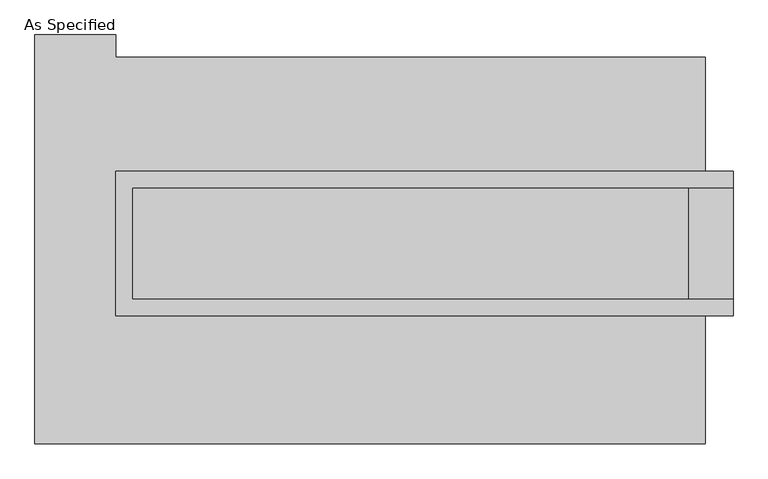
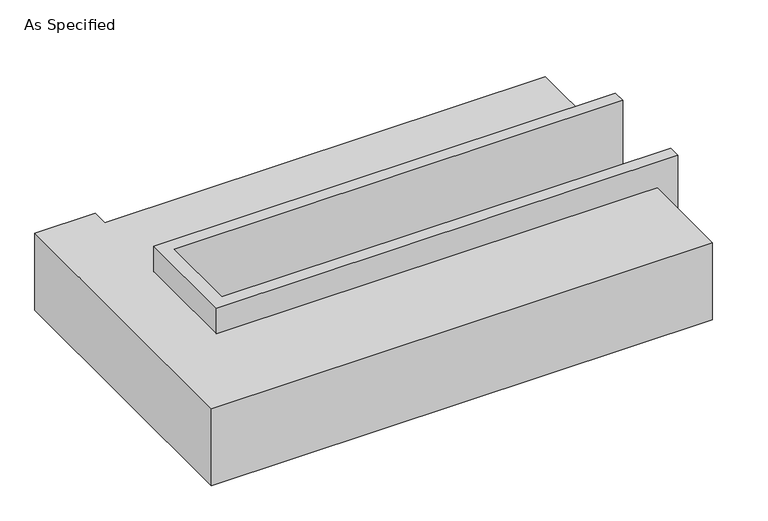
"""IFC4 building model written with IfcOpenShell, lengths in millimetres: proxy geometry, As Specified."""

import ifcopenshell
import ifcopenshell.guid

model = None  # the IFC model being written
_history = None  # IfcOwnerHistory: only IFC2X3 demands one
_inside = {}  # id of a spatial element -> (the spatial element, [elements in it])
_under = {}  # id of a project, library or spatial element -> (it, [spatial elements below it])
_declared = {}  # id of a project -> (the project, [libraries it declares])
_typed = {}  # id of a type object -> (the type object, [elements of that type])
_made_of = {}  # id of a material, layer set ... -> (it, [elements and type objects made of it])


def new_model(schema):
    """Start an empty IFC model of exactly this schema.

    Asked for "IFC4X3", IfcOpenShell would pick the latest addendum, in which some entities
    have other attributes; the version numbers below select the first issue.
    IFC2X3 requires an IfcOwnerHistory on every rooted entity: one is made here for all.
    """
    global model, _history
    if schema == "IFC4X3":
        model = ifcopenshell.file(schema_version=(4, 3, 0, 0))
    else:
        model = ifcopenshell.file(schema=schema)
    _inside.clear()
    _under.clear()
    _declared.clear()
    _typed.clear()
    _made_of.clear()
    _history = None
    if model.schema == "IFC2X3":
        org = make("IfcOrganization", Name="unknown")
        user = make(
            "IfcPersonAndOrganization",
            ThePerson=make("IfcPerson", FamilyName="unknown"),
            TheOrganization=org,
        )
        app = make(
            "IfcApplication",
            ApplicationDeveloper=org,
            Version="unknown",
            ApplicationFullName="unknown",
            ApplicationIdentifier="unknown",
        )
        _history = make(
            "IfcOwnerHistory",
            OwningUser=user,
            OwningApplication=app,
            ChangeAction="ADDED",
            CreationDate=0,
        )
    return model


def make(cls, **values):
    """One entity of the class cls with the attributes given. An attribute that is None is left unset."""
    return model.create_entity(
        cls, **{name: value for name, value in values.items() if value is not None}
    )


def rooted(cls, **values):
    """An entity with a GlobalId (a new one), such as an element, a storey or a relation."""
    return make(cls, GlobalId=ifcopenshell.guid.new(), OwnerHistory=_history, **values)


def si_unit(unit_type, name, prefix=None):
    """IfcSIUnit, for example si_unit("LENGTHUNIT", "METRE", prefix="MILLI")."""
    return make("IfcSIUnit", UnitType=unit_type, Prefix=prefix, Name=name)


def assignment(units):
    """IfcUnitAssignment: the units of a project."""
    return None if units is None else make("IfcUnitAssignment", Units=units)


def point(xyz):
    """IfcCartesianPoint."""
    return None if xyz is None else make("IfcCartesianPoint", Coordinates=xyz)


def direction(xyz):
    """IfcDirection."""
    return None if xyz is None else make("IfcDirection", DirectionRatios=xyz)


def frame(location, z_axis=None, x_axis=None):
    """IfcAxis2Placement3D, a coordinate frame: its origin and axes. An axis left out is left unset."""
    return make(
        "IfcAxis2Placement3D",
        Location=point(location),
        Axis=direction(z_axis),
        RefDirection=direction(x_axis),
    )


def origin():
    """The frame at (0, 0, 0) with its axes left unset."""
    return frame((0.0, 0.0, 0.0))


def place(relative_to, where):
    """IfcLocalPlacement: puts the frame where relative to a parent placement (None: the world)."""
    return make(
        "IfcLocalPlacement", PlacementRelTo=relative_to, RelativePlacement=where
    )


def context(
    kind, dimensions, precision=None, world=None, true_north=None, identifier=None
):
    """IfcGeometricRepresentationContext, for example the 3D "Model" context."""
    return make(
        "IfcGeometricRepresentationContext",
        ContextIdentifier=identifier,
        ContextType=kind,
        CoordinateSpaceDimension=dimensions,
        Precision=precision,
        WorldCoordinateSystem=world,
        TrueNorth=true_north,
    )


def project(units=None, contexts=None):
    """IfcProject with its units and contexts."""
    return rooted(
        "IfcProject",
        Name="project",
        RepresentationContexts=contexts,
        UnitsInContext=assignment(units),
    )


def spatial(cls, under=None, at=None, **own):
    """A site, building, storey or space (cls), placed at a placement, below another one or the project."""
    s = rooted(cls, ObjectPlacement=at, **own)
    if under is not None:
        _under.setdefault(under.id(), (under, []))[1].append(s)
    return s


def faces_of(points, faces, orient=None, outer=None):
    """IfcFace entities. A face is a list of loops; a loop is a list of indices into points, from 0.

    orient and outer hold one flag for each loop. By default every Orientation is true, the
    first loop of a face is its IfcFaceOuterBound and the others are IfcFaceBound.
    """
    made = []
    for i, loops in enumerate(faces):
        bounds = []
        for j, loop in enumerate(loops):
            is_outer = j == 0 if outer is None else outer[i][j]
            bounds.append(
                make(
                    "IfcFaceOuterBound" if is_outer else "IfcFaceBound",
                    Bound=make("IfcPolyLoop", Polygon=[points[k] for k in loop]),
                    Orientation=True if orient is None else orient[i][j],
                )
            )
        made.append(make("IfcFace", Bounds=bounds))
    return made


def faceted_brep(points, faces, orient=None, outer=None, voids=None):
    """IfcFacetedBrep: a solid bounded by flat faces; with voids (closed shells), ...WithVoids."""
    shared = [point(p) for p in points]
    hull = make("IfcClosedShell", CfsFaces=faces_of(shared, faces, orient, outer))
    if voids is None:
        return make("IfcFacetedBrep", Outer=hull)
    return make(
        "IfcFacetedBrepWithVoids",
        Outer=hull,
        Voids=[
            make(cls, CfsFaces=faces_of(shared, fs, o, b)) for cls, fs, o, b in voids
        ],
    )


def shape(context_of_items, identifier, shape_type, items):
    """IfcShapeRepresentation: the items that make up one representation, for example the "Body"."""
    return make(
        "IfcShapeRepresentation",
        ContextOfItems=context_of_items,
        RepresentationIdentifier=identifier,
        RepresentationType=shape_type,
        Items=items,
    )


def source(mapping_origin, context_of_items, identifier, shape_type, items):
    """IfcRepresentationMap: a shape defined once, which mapped items show again and again."""
    return make(
        "IfcRepresentationMap",
        MappingOrigin=mapping_origin,
        MappedRepresentation=shape(context_of_items, identifier, shape_type, items),
    )


def transform(
    local_origin,
    x_axis=None,
    y_axis=None,
    z_axis=None,
    scale=None,
    scale2=None,
    scale3=None,
    uniform=True,
):
    """IfcCartesianTransformationOperator3D, or its non-uniform kind. x_axis, y_axis, z_axis: its Axis1, 2, 3."""
    if uniform:
        return make(
            "IfcCartesianTransformationOperator3D",
            Axis1=direction(x_axis),
            Axis2=direction(y_axis),
            LocalOrigin=point(local_origin),
            Scale=scale,
            Axis3=direction(z_axis),
        )
    return make(
        "IfcCartesianTransformationOperator3DnonUniform",
        Axis1=direction(x_axis),
        Axis2=direction(y_axis),
        LocalOrigin=point(local_origin),
        Scale=scale,
        Axis3=direction(z_axis),
        Scale2=scale2,
        Scale3=scale3,
    )


def mapped(mapping_source, mapping_target):
    """IfcMappedItem: shows the shape of a source again, moved by a transform."""
    return make(
        "IfcMappedItem", MappingSource=mapping_source, MappingTarget=mapping_target
    )


def made_of(thing, what):
    """Note that an element or type object is made of a material, layer set ...; save() writes the relation."""
    if what is not None:
        _made_of.setdefault(what.id(), (what, []))[1].append(thing)
    return thing


def element(
    cls,
    number,
    at=None,
    inside=None,
    cuts=None,
    type_object=None,
    material=None,
    context=None,
    identifier="Body",
    shape_type=None,
    held_by="IfcProductDefinitionShape",
    body=None,
    shapes=None,
    **own,
):
    """One element of the class cls, such as IfcWall. Its Tag is "e" and its number.

    at: its placement. inside: the storey or other place that contains it. cuts: it is an
    opening in that element (IfcRelVoidsElement). A single representation is given by context,
    identifier, shape_type and body (its items); several are given by shapes. held_by: the class
    of the entity that holds the representations. save() writes the other relations.
    """
    e = rooted(cls, Tag="e%d" % number, ObjectPlacement=at, **own)
    if body is not None:
        shapes = [shape(context, identifier, shape_type, body)]
    if shapes is not None:
        e.Representation = make(held_by, Representations=shapes)
    if inside is not None:
        _inside.setdefault(inside.id(), (inside, []))[1].append(e)
    if cuts is not None:
        rooted(
            "IfcRelVoidsElement", RelatingBuildingElement=cuts, RelatedOpeningElement=e
        )
    if type_object is not None:
        _typed.setdefault(type_object.id(), (type_object, []))[1].append(e)
    return made_of(e, material)


def aggregate(whole, parts):
    """IfcRelAggregates: a whole, such as a stair, and the parts it consists of."""
    return rooted("IfcRelAggregates", RelatingObject=whole, RelatedObjects=parts)


def save(model, path):
    """Write the relations noted so far, then the file.

    IfcRelAggregates (storeys below a building ...), IfcRelContainedInSpatialStructure (elements
    in a storey), IfcRelDefinesByType, IfcRelAssociatesMaterial and IfcRelDeclares: one each for
    every whole, place, type object, material and project.
    """
    for whole, parts in _under.values():
        aggregate(whole, parts)
    for where, things in _inside.values():
        rooted(
            "IfcRelContainedInSpatialStructure",
            RelatedElements=things,
            RelatingStructure=where,
        )
    for kind, things in _typed.values():
        rooted("IfcRelDefinesByType", RelatedObjects=things, RelatingType=kind)
    for what, things in _made_of.values():
        rooted("IfcRelAssociatesMaterial", RelatedObjects=things, RelatingMaterial=what)
    for by, libraries in _declared.values():
        rooted("IfcRelDeclares", RelatingContext=by, RelatedDefinitions=libraries)
    model.write(path)


def as_specified_af5b06ff(model_context):
    return source(origin(), model_context, "Body", "Brep", [
        faceted_brep([(-1263.65, 361.95, 139.7), (-1263.65, 361.95, -393.7), (-1263.65, 285.75, -393.7), (-1263.65, 285.75, -25.4), (-1263.65, -222.25, -25.4), (-1263.65, -222.25, -393.7), (-1263.65, -298.45, -393.7), (-1263.65, -298.45, 139.7), (1555.75, 285.75, 139.7), (1555.75, 285.75, -317.5), (1555.75, -222.25, -317.5), (1555.75, -222.25, 139.7), (1555.75, -298.45, 139.7), (1555.75, -298.45, -393.7), (1555.75, 361.95, -393.7), (1555.75, 361.95, 139.7), (-1187.45, -222.25, 139.7), (-1187.45, 285.75, 139.7), (1352.55, -222.25, -393.7), (1352.55, 285.75, -393.7), (1352.55, -222.25, -317.5), (-1187.45, -222.25, -25.4), (1352.55, 285.75, -317.5), (-1187.45, 285.75, -25.4)], [[[0, 1, 2, 3, 4, 5, 6, 7]], [[8, 9, 10, 11, 12, 13, 14, 15]], [[0, 7, 12, 11, 16, 17, 8, 15]], [[1, 0, 15, 14]], [[14, 13, 6, 5, 18, 19, 2, 1]], [[7, 6, 13, 12]], [[11, 10, 20, 18, 5, 4, 21, 16]], [[10, 9, 22, 20]], [[9, 8, 17, 23, 3, 2, 19, 22]], [[18, 20, 22, 19]], [[23, 21, 4, 3]], [[17, 16, 21, 23]]]),
        faceted_brep([(1428.75, -882.65, -523.9742188), (-1631.95, -882.65, -523.9742188), (-1631.95, 984.25, -523.9742188), (-1263.65, 984.25, -523.9742188), (-1263.65, 882.65, -523.9742188), (1428.75, 882.65, -523.9742188), (-1631.95, -882.65, -25.4), (1428.75, -882.65, -25.4), (1428.75, -298.45, -25.4), (-1263.65, -298.45, -25.4), (-1263.65, 361.95, -25.4), (1428.75, 361.95, -25.4), (1428.75, 882.65, -25.4), (-1263.65, 882.65, -25.4), (-1263.65, 984.25, -25.4), (-1631.95, 984.25, -25.4), (1428.75, 361.95, -393.7), (1428.75, -298.45, -393.7), (-1263.65, -298.45, -393.7), (-1263.65, 361.95, -393.7)], [[[0, 1, 2, 3, 4, 5]], [[6, 7, 8, 9, 10, 11, 12, 13, 14, 15]], [[12, 5, 4, 13]], [[2, 1, 6, 15]], [[5, 12, 11, 16, 17, 8, 7, 0]], [[1, 0, 7, 6]], [[18, 19, 10, 9]], [[10, 19, 16, 11]], [[19, 18, 17, 16]], [[18, 9, 8, 17]], [[3, 2, 15, 14]], [[4, 3, 14, 13]]]),
    ])


if __name__ == "__main__":
    model = new_model("IFC4")
    model_context = context("Model", 3, world=origin())
    ifc_project = project(units=[si_unit("LENGTHUNIT", "METRE", prefix="MILLI")], contexts=[model_context])
    site = spatial("IfcSite", under=ifc_project)
    building = spatial("IfcBuilding", under=site)
    placement = place(None, origin())
    as_specified_shape = as_specified_af5b06ff(model_context)
    element("IfcBuildingElementProxy", 1, Name="As Specified", ObjectType="As Specified", at=placement, inside=building, context=model_context, shape_type="MappedRepresentation", body=[
        mapped(as_specified_shape, transform((0.0, 0.0, 0.0), x_axis=(1.0, 0.0, 0.0), y_axis=(0.0, 1.0, 0.0), z_axis=(0.0, 0.0, 1.0))),
    ])
    save(model, "model.ifc")
